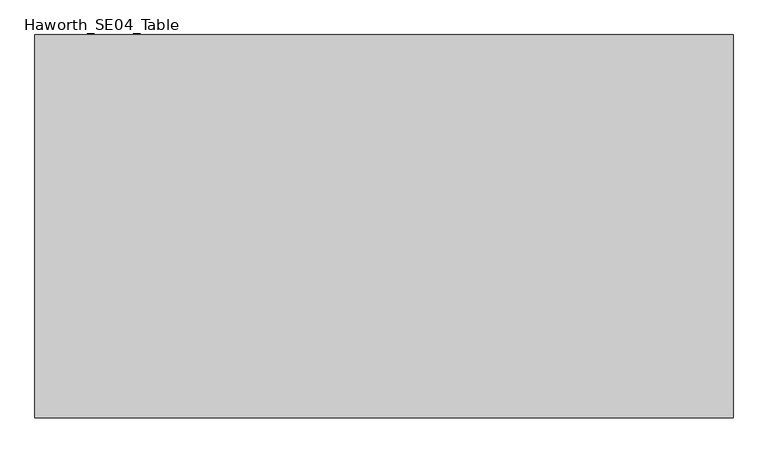
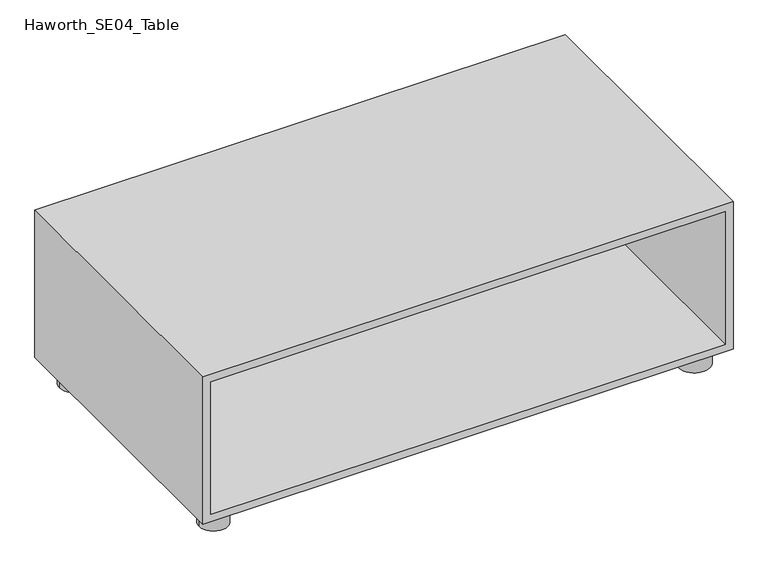
"""IFC4 building model written with IfcOpenShell, lengths in millimetres: furniture geometry, Haworth_SE04_Table."""

from ifc_helpers import new_model, si_unit, point, frame, frame_2d, origin, origin_with_axes, place, context, project, spatial, polyline, circle_curve, trimmed, segment, composite_curve, outline, extrude, source, transform, mapped, element, save


def haworth_se04_table_541eb7e4(model_context):
    return source(origin(), model_context, "Body", "SweptSolid", [
        extrude(outline(polyline([(431.8, -647.7), (50.8, -647.7), (50.8, 647.7), (431.8, 647.7), (431.8, -647.7)]), holes=[polyline([(412.75, -628.65), (412.75, 628.65), (69.85, 628.65), (69.85, -628.65), (412.75, -628.65)])]), frame((0.0, -355.6, 0.0), z_axis=(0.0, 1.0, 0.0), x_axis=(0.0, 0.0, 1.0)), (0.0, 0.0, 1.0), 711.2),
        extrude(outline(composite_curve([segment(trimmed(circle_curve(frame_2d((-587.375, 295.275)), 34.925), [point((-622.3, 295.275))], [point((-552.45, 295.275))], False, "CARTESIAN"), True, "CONTINUOUS"), segment(trimmed(circle_curve(frame_2d((-587.375, 295.275)), 34.925), [point((-552.45, 295.275))], [point((-622.3, 295.275))], False, "CARTESIAN"), True, "CONTINUOUS")], self_intersect=False)), origin_with_axes(), (0.0, 0.0, 1.0), 50.8),
        extrude(outline(composite_curve([segment(trimmed(circle_curve(frame_2d((587.375, 295.275)), 38.1), [point((549.275, 295.275))], [point((625.475, 295.275))], False, "CARTESIAN"), True, "CONTINUOUS"), segment(trimmed(circle_curve(frame_2d((587.375, 295.275)), 38.1), [point((625.475, 295.275))], [point((549.275, 295.275))], False, "CARTESIAN"), True, "CONTINUOUS")], self_intersect=False)), origin_with_axes(), (0.0, 0.0, 1.0), 50.8),
        extrude(outline(composite_curve([segment(trimmed(circle_curve(frame_2d((-587.375, -295.275)), 34.925), [point((-622.3, -295.275))], [point((-552.45, -295.275))], False, "CARTESIAN"), True, "CONTINUOUS"), segment(trimmed(circle_curve(frame_2d((-587.375, -295.275)), 34.925), [point((-552.45, -295.275))], [point((-622.3, -295.275))], False, "CARTESIAN"), True, "CONTINUOUS")], self_intersect=False)), origin_with_axes(), (0.0, 0.0, 1.0), 50.8),
        extrude(outline(composite_curve([segment(trimmed(circle_curve(frame_2d((587.375, -295.275)), 38.1), [point((549.275, -295.275))], [point((625.475, -295.275))], False, "CARTESIAN"), True, "CONTINUOUS"), segment(trimmed(circle_curve(frame_2d((587.375, -295.275)), 38.1), [point((625.475, -295.275))], [point((549.275, -295.275))], False, "CARTESIAN"), True, "CONTINUOUS")], self_intersect=False)), origin_with_axes(), (0.0, 0.0, 1.0), 50.8),
    ])


if __name__ == "__main__":
    model = new_model("IFC4")
    model_context = context("Model", 3, world=origin())
    ifc_project = project(units=[si_unit("LENGTHUNIT", "METRE", prefix="MILLI")], contexts=[model_context])
    site = spatial("IfcSite", under=ifc_project)
    building = spatial("IfcBuilding", under=site)
    placement = place(None, origin())
    haworth_se04_table_shape = haworth_se04_table_541eb7e4(model_context)
    element("IfcFurniture", 1, ObjectType="Haworth_SE04_Table", at=placement, inside=building, context=model_context, shape_type="MappedRepresentation", body=[
        mapped(haworth_se04_table_shape, transform((0.0, 0.0, 0.0), x_axis=(1.0, 0.0, 0.0), y_axis=(0.0, 1.0, 0.0), z_axis=(0.0, 0.0, 1.0))),
    ])
    save(model, "model.ifc")
